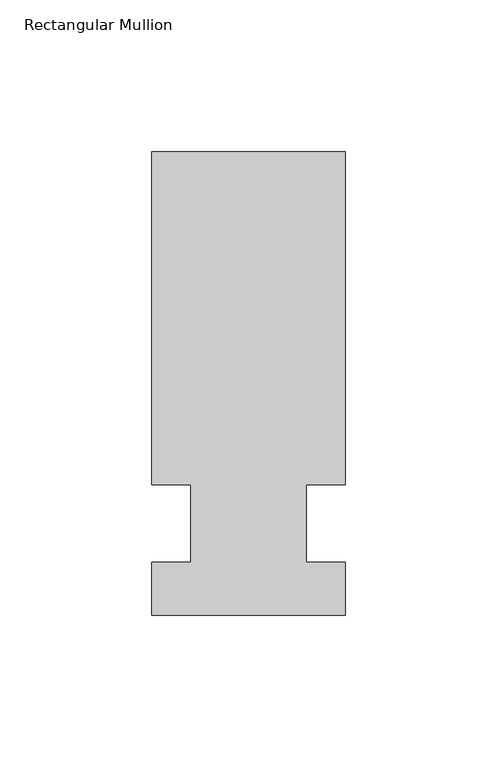
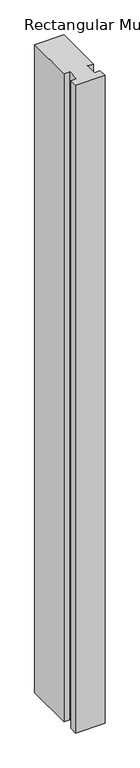
"""IFC4 building model written with IfcOpenShell, lengths in millimetres: member geometry, Rectangular Mullion."""

from ifc_helpers import new_model, si_unit, frame, origin, place, context, project, spatial, polyline, outline, extrude, source, transform, mapped, element, save


def rectangular_mullion_171dd237(model_context):
    return source(origin(), model_context, "Body", "SweptSolid", [
        extrude(outline(polyline([(36.0844027, 122.2375), (36.0844027, 12.7), (23.3826322, 12.7), (23.3826322, -12.7), (36.0844027, -12.7), (36.0844027, -30.1625), (-27.4155973, -30.1625), (-27.4155973, -12.7), (-14.7155973, -12.7), (-14.7155973, 12.7), (-27.4155973, 12.7), (-27.4155973, 122.2375), (36.0844027, 122.2375)])), frame((0.0, 0.0, -1478.28), z_axis=(0.0, 0.0, 1.0), x_axis=(1.0, 0.0, 0.0)), (0.0, 0.0, 1.0), 1478.28),
    ])


if __name__ == "__main__":
    model = new_model("IFC4")
    model_context = context("Model", 3, world=origin())
    ifc_project = project(units=[si_unit("LENGTHUNIT", "METRE", prefix="MILLI")], contexts=[model_context])
    site = spatial("IfcSite", under=ifc_project)
    building = spatial("IfcBuilding", under=site)
    placement = place(None, origin())
    rectangular_mullion_shape = rectangular_mullion_171dd237(model_context)
    element("IfcMember", 1, ObjectType="Rectangular Mullion", at=placement, inside=building, context=model_context, shape_type="MappedRepresentation", body=[
        mapped(rectangular_mullion_shape, transform((0.0, 0.0, 0.0), x_axis=(1.0, 0.0, 0.0), y_axis=(0.0, 1.0, 0.0), z_axis=(0.0, 0.0, 1.0))),
    ])
    save(model, "model.ifc")
